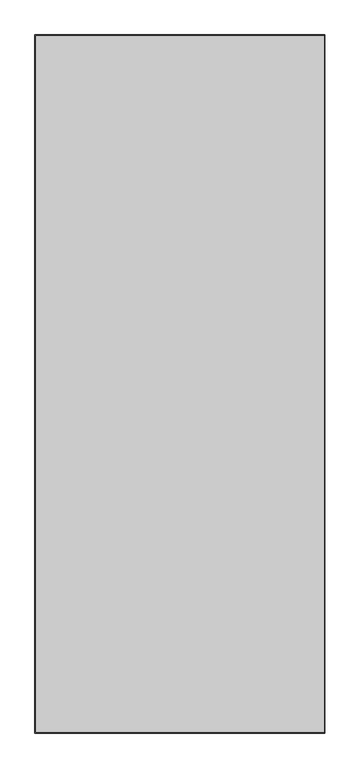
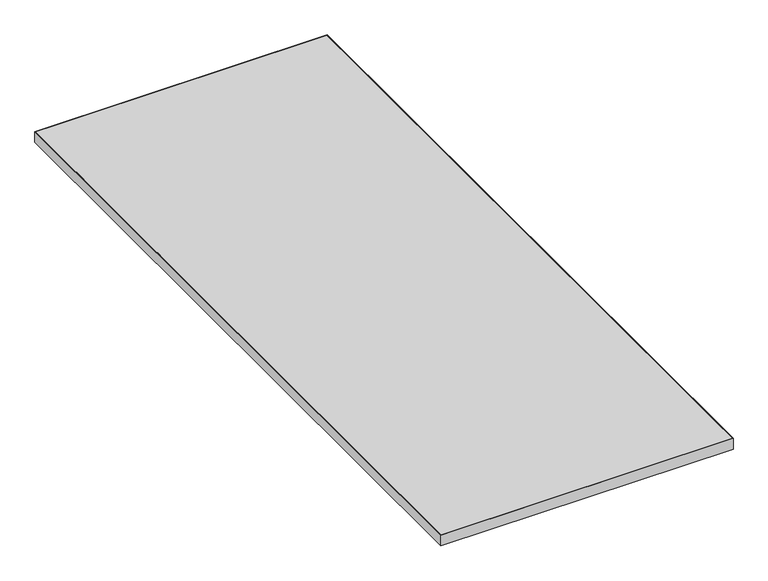
"""IFC4 building model written with IfcOpenShell, lengths in millimetres: furniture geometry."""

from ifc_helpers import new_model, si_unit, frame, origin, place, context, project, spatial, polyline, outline, extrude, source, transform, mapped, element, save


def furniture_1dad61bf(model_context):
    return source(origin(), model_context, "Body", "SweptSolid", [
        extrude(outline(polyline([(-203.8827985, 282.5484437), (-203.8827985, -1541.5271563), (-959.6343985, -1541.5271563), (-959.6343985, 282.5484437), (-203.8827985, 282.5484437)])), frame((0.0, 0.0, 707.009), z_axis=(0.0, 0.0, 1.0), x_axis=(1.0, 0.0, 0.0)), (0.0, 0.0, 1.0), 29.591),
        extrude(outline(polyline([(-961.2218985, -1543.1146563), (-961.2218985, 284.1359437), (-202.2952985, 284.1359437), (-202.2952985, -1543.1146563), (-961.2218985, -1543.1146563)]), holes=[polyline([(-203.8827985, -1541.5271563), (-203.8827985, 282.5484437), (-959.6343985, 282.5484437), (-959.6343985, -1541.5271563), (-203.8827985, -1541.5271563)])]), frame((0.0, 0.0, 707.009), z_axis=(0.0, 0.0, 1.0), x_axis=(1.0, 0.0, 0.0)), (0.0, 0.0, 1.0), 29.591),
    ])


if __name__ == "__main__":
    model = new_model("IFC4")
    model_context = context("Model", 3, world=origin())
    ifc_project = project(units=[si_unit("LENGTHUNIT", "METRE", prefix="MILLI")], contexts=[model_context])
    site = spatial("IfcSite", under=ifc_project)
    building = spatial("IfcBuilding", under=site)
    placement = place(None, origin())
    furniture_shape = furniture_1dad61bf(model_context)
    element("IfcFurniture", 1, at=placement, inside=building, context=model_context, shape_type="MappedRepresentation", body=[
        mapped(furniture_shape, transform((0.0, 0.0, 0.0), x_axis=(1.0, 0.0, 0.0), y_axis=(0.0, 1.0, 0.0), z_axis=(0.0, 0.0, 1.0))),
    ])
    save(model, "model.ifc")
